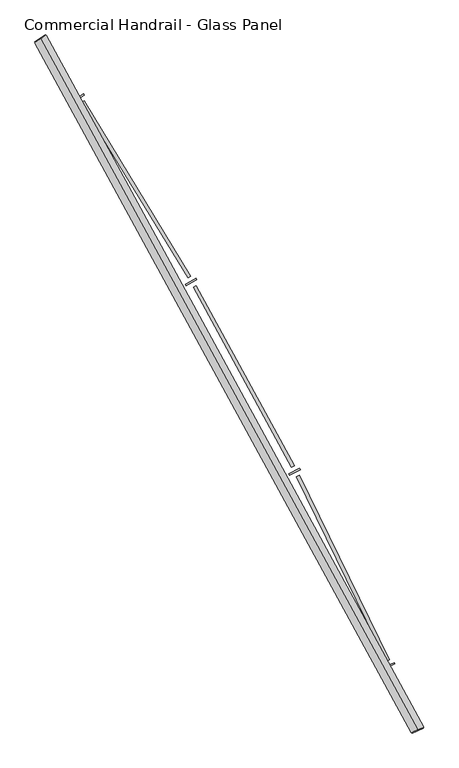
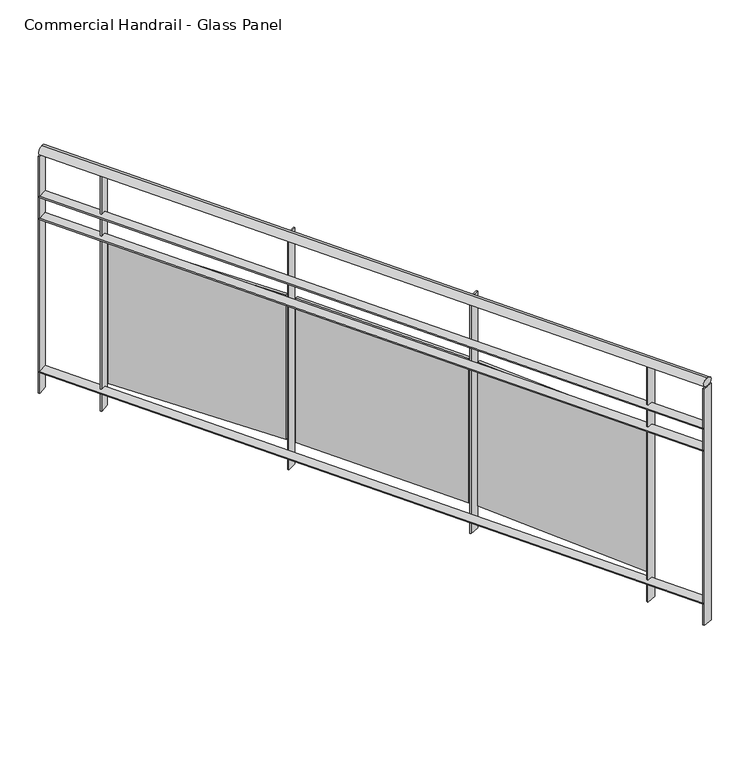
"""IFC4 building model written with IfcOpenShell, lengths in millimetres: railing geometry, Commercial Handrail - Glass Panel."""

from ifc_helpers import new_model, si_unit, point, frame, origin, place, context, project, spatial, polyline, circle_curve, ellipse_curve, trimmed, outline, extrude, source, transform, mapped, element, save
from ifc_brep_helpers import plane_surface, cylinder_surface, revolved_surface, advanced_brep


def commercial_handrail_glass_panel_46bebd31(model_context):
    return source(origin(), model_context, "Body", "SolidModel", [
        advanced_brep(
        [(152681.2087099, -42805.7971709, 12882.5), (154079.9485011, -45365.2391742, 12882.5), (154079.9485011, -45365.2391742, 12917.5), (152681.2087099, -42805.7971709, 12917.5)],
        [
            (0, 1, circle_curve(frame((138512.5563245, -52210.9198633, 12882.5), z_axis=(0.0, 0.0, -1.0), x_axis=(0.9154011077709024, 0.40254293173747885, 0.0)), 17006.0884179)),
            (1, 2, ellipse_curve(frame((154079.9485011, -45365.2391742, 12900.0), z_axis=(-0.4025429317374835, 0.9154011077709004, 0.0), x_axis=(0.9154011077709004, 0.4025429317374835, 0.0)), 25.0, 17.5)),
            (2, 3, circle_curve(frame((138512.5563245, -52210.9198633, 12917.5), z_axis=(0.0, 0.0, 1.0), x_axis=(0.9154011077709024, 0.40254293173747885, 0.0)), 17006.0884179)),
            (3, 0, ellipse_curve(frame((152681.2087099, -42805.7971709, 12900.0), z_axis=(0.5530444427532936, -0.8331517534877418, 0.0), x_axis=(0.8331517534877418, 0.5530444427532936, 0.0)), 25.0, 17.5)),
            (2, 1, ellipse_curve(frame((154079.9485011, -45365.2391742, 12900.0), z_axis=(-0.4025429317374835, 0.9154011077709004, 0.0), x_axis=(0.9154011077709004, 0.4025429317374835, 0.0)), 25.0, 17.5)),
            (0, 3, ellipse_curve(frame((152681.2087099, -42805.7971709, 12900.0), z_axis=(0.5530444427532936, -0.8331517534877418, 0.0), x_axis=(0.8331517534877418, 0.5530444427532936, 0.0)), 25.0, 17.5)),
        ],
        [
            revolved_surface(trimmed(ellipse_curve(frame((154079.9485011, -45365.2391742, 12900.0), z_axis=(0.40254293173747885, -0.9154011077709024, 0.0), x_axis=(0.0, 0.0, -1.0)), 17.5, 25.0), [point((154079.9485011, -45365.2391742, 12917.5))], [point((154079.9485011, -45365.2391742, 12882.5))], True, "CARTESIAN"), (138512.5563245, -52210.9198633, 12900.0), (0.0, 0.0, 1.0)),
            revolved_surface(trimmed(ellipse_curve(frame((154079.9485011, -45365.2391742, 12900.0), z_axis=(0.40254293173747885, -0.9154011077709024, 0.0), x_axis=(0.0, 0.0, -1.0)), 17.5, 25.0), [point((154079.9485011, -45365.2391742, 12882.5))], [point((154079.9485011, -45365.2391742, 12917.5))], True, "CARTESIAN"), (138512.5563245, -52210.9198633, 12900.0), (0.0, 0.0, 1.0)),
            plane_surface(frame((154079.9485011, -45365.2391742, 12900.0), z_axis=(0.4025429317374789, -0.9154011077709026, 0.0), x_axis=(0.9154011077709026, 0.4025429317374789, 0.0))),
            plane_surface(frame((152681.2087099, -42805.7971709, 12900.0), z_axis=(-0.5530444427532946, 0.8331517534877412, 0.0), x_axis=(0.8331517534877412, 0.5530444427532946, 0.0))),
        ],
        [
            (0, [[1, 2, 3, 4]]),
            (1, [[-3, 5, -1, 6]]),
            (2, [[-2, -5]]),
            (3, [[-6, -4]]),
        ],
    ),
        advanced_brep(
        [(152662.4627954, -42818.2406708, 12700.0), (154059.3519762, -45374.2963902, 12700.0), (154100.545026, -45356.1819583, 12700.0), (152699.9546243, -42793.3536709, 12700.0), (152662.4627954, -42818.2406708, 12694.0), (154059.3519762, -45374.2963902, 12694.0), (152699.9546243, -42793.3536709, 12694.0), (154100.545026, -45356.1819583, 12694.0)],
        [
            (0, 1, circle_curve(frame((138512.5563245, -52210.9198633, 12700.0), z_axis=(0.0, 0.0, -1.0), x_axis=(0.9154011077709024, 0.40254293173747885, 0.0)), 16983.5884179)),
            (1, 2),
            (2, 3, circle_curve(frame((138512.5563245, -52210.9198633, 12700.0), z_axis=(0.0, 0.0, 1.0), x_axis=(0.9154011077709024, 0.40254293173747885, 0.0)), 17028.5884179)),
            (3, 0),
            (4, 5, circle_curve(frame((138512.5563245, -52210.9198633, 12694.0), z_axis=(0.0, 0.0, -1.0), x_axis=(0.9154011077709024, 0.40254293173747885, 0.0)), 16983.5884179)),
            (5, 1),
            (0, 4),
            (6, 7, circle_curve(frame((138512.5563245, -52210.9198633, 12694.0), z_axis=(0.0, 0.0, -1.0), x_axis=(0.9154011077709024, 0.40254293173747885, 0.0)), 17028.5884179)),
            (7, 5),
            (4, 6),
            (2, 7),
            (6, 3),
        ],
        [
            plane_surface(frame((138512.5563245, -52210.9198633, 12700.0), z_axis=(0.0, 0.0, 1.0000000000000002), x_axis=(0.9154011077709026, 0.4025429317374789, 0.0))),
            revolved_surface(polyline([(154059.35197617073, -45374.296390135845, 12700.0), (154059.35197617073, -45374.296390135845, 12694.0)]), (138512.5563245, -52210.9198633, 12700.0), (0.0, 0.0, 1.0)),
            plane_surface(frame((138512.5563245, -52210.9198633, 12694.0), z_axis=(0.0, 0.0, -1.0000000000000002), x_axis=(0.9154011077709026, 0.4025429317374789, 0.0))),
            cylinder_surface(frame((138512.5563245, -52210.9198633, 12700.0), z_axis=(0.0, 0.0, 1.0), x_axis=(0.9154011077709024, 0.40254293173747885, 0.0)), 17028.5884179),
            plane_surface(frame((154079.9485011, -45365.2391742, 12700.0), z_axis=(0.4025429317374789, -0.9154011077709026, 0.0), x_axis=(0.9154011077709026, 0.4025429317374789, 0.0))),
            plane_surface(frame((152681.2087099, -42805.7971709, 12700.0), z_axis=(-0.5530444427532946, 0.8331517534877412, 0.0), x_axis=(0.8331517534877412, 0.5530444427532946, 0.0))),
        ],
        [
            (0, [[1, 2, 3, 4]]),
            (1, [[5, 6, -1, 7]]),
            (2, [[8, 9, -5, 10]]),
            (3, [[-3, 11, -8, 12]]),
            (4, [[-2, -6, -9, -11]]),
            (5, [[-12, -10, -7, -4]]),
        ],
    ),
        advanced_brep(
        [(152662.4627954, -42818.2406708, 12600.0), (154059.3519762, -45374.2963902, 12600.0), (154100.545026, -45356.1819583, 12600.0), (152699.9546243, -42793.3536709, 12600.0), (152662.4627954, -42818.2406708, 12594.0), (154059.3519762, -45374.2963902, 12594.0), (152699.9546243, -42793.3536709, 12594.0), (154100.545026, -45356.1819583, 12594.0)],
        [
            (0, 1, circle_curve(frame((138512.5563245, -52210.9198633, 12600.0), z_axis=(0.0, 0.0, -1.0), x_axis=(0.9154011077709024, 0.40254293173747885, 0.0)), 16983.5884179)),
            (1, 2),
            (2, 3, circle_curve(frame((138512.5563245, -52210.9198633, 12600.0), z_axis=(0.0, 0.0, 1.0), x_axis=(0.9154011077709024, 0.40254293173747885, 0.0)), 17028.5884179)),
            (3, 0),
            (4, 5, circle_curve(frame((138512.5563245, -52210.9198633, 12594.0), z_axis=(0.0, 0.0, -1.0), x_axis=(0.9154011077709024, 0.40254293173747885, 0.0)), 16983.5884179)),
            (5, 1),
            (0, 4),
            (6, 7, circle_curve(frame((138512.5563245, -52210.9198633, 12594.0), z_axis=(0.0, 0.0, -1.0), x_axis=(0.9154011077709024, 0.40254293173747885, 0.0)), 17028.5884179)),
            (7, 5),
            (4, 6),
            (2, 7),
            (6, 3),
        ],
        [
            plane_surface(frame((138512.5563245, -52210.9198633, 12600.0), z_axis=(0.0, 0.0, 1.0000000000000002), x_axis=(0.9154011077709026, 0.4025429317374789, 0.0))),
            revolved_surface(polyline([(154059.35197617073, -45374.296390135845, 12600.0), (154059.35197617073, -45374.296390135845, 12594.0)]), (138512.5563245, -52210.9198633, 12600.0), (0.0, 0.0, 1.0)),
            plane_surface(frame((138512.5563245, -52210.9198633, 12594.0), z_axis=(0.0, 0.0, -1.0000000000000002), x_axis=(0.9154011077709026, 0.4025429317374789, 0.0))),
            cylinder_surface(frame((138512.5563245, -52210.9198633, 12600.0), z_axis=(0.0, 0.0, 1.0), x_axis=(0.9154011077709024, 0.40254293173747885, 0.0)), 17028.5884179),
            plane_surface(frame((154079.9485011, -45365.2391742, 12600.0), z_axis=(0.4025429317374789, -0.9154011077709026, 0.0), x_axis=(0.9154011077709026, 0.4025429317374789, 0.0))),
            plane_surface(frame((152681.2087099, -42805.7971709, 12600.0), z_axis=(-0.5530444427532946, 0.8331517534877412, 0.0), x_axis=(0.8331517534877412, 0.5530444427532946, 0.0))),
        ],
        [
            (0, [[1, 2, 3, 4]]),
            (1, [[5, 6, -1, 7]]),
            (2, [[8, 9, -5, 10]]),
            (3, [[-3, 11, -8, 12]]),
            (4, [[-2, -6, -9, -11]]),
            (5, [[-12, -10, -7, -4]]),
        ],
    ),
        advanced_brep(
        [(152662.4627954, -42818.2406708, 11900.0), (154059.3519762, -45374.2963902, 11900.0), (154100.545026, -45356.1819583, 11900.0), (152699.9546243, -42793.3536709, 11900.0), (152662.4627954, -42818.2406708, 11894.0), (154059.3519762, -45374.2963902, 11894.0), (152699.9546243, -42793.3536709, 11894.0), (154100.545026, -45356.1819583, 11894.0)],
        [
            (0, 1, circle_curve(frame((138512.5563245, -52210.9198633, 11900.0), z_axis=(0.0, 0.0, -1.0), x_axis=(0.9154011077709024, 0.40254293173747885, 0.0)), 16983.5884179)),
            (1, 2),
            (2, 3, circle_curve(frame((138512.5563245, -52210.9198633, 11900.0), z_axis=(0.0, 0.0, 1.0), x_axis=(0.9154011077709024, 0.40254293173747885, 0.0)), 17028.5884179)),
            (3, 0),
            (4, 5, circle_curve(frame((138512.5563245, -52210.9198633, 11894.0), z_axis=(0.0, 0.0, -1.0), x_axis=(0.9154011077709024, 0.40254293173747885, 0.0)), 16983.5884179)),
            (5, 1),
            (0, 4),
            (6, 7, circle_curve(frame((138512.5563245, -52210.9198633, 11894.0), z_axis=(0.0, 0.0, -1.0), x_axis=(0.9154011077709024, 0.40254293173747885, 0.0)), 17028.5884179)),
            (7, 5),
            (4, 6),
            (2, 7),
            (6, 3),
        ],
        [
            plane_surface(frame((138512.5563245, -52210.9198633, 11900.0), z_axis=(0.0, 0.0, 1.0000000000000002), x_axis=(0.9154011077709026, 0.4025429317374789, 0.0))),
            revolved_surface(polyline([(154059.35197617073, -45374.296390135845, 11900.0), (154059.35197617073, -45374.296390135845, 11894.0)]), (138512.5563245, -52210.9198633, 11900.0), (0.0, 0.0, 1.0)),
            plane_surface(frame((138512.5563245, -52210.9198633, 11894.0), z_axis=(0.0, 0.0, -1.0000000000000002), x_axis=(0.9154011077709026, 0.4025429317374789, 0.0))),
            cylinder_surface(frame((138512.5563245, -52210.9198633, 11900.0), z_axis=(0.0, 0.0, 1.0), x_axis=(0.9154011077709024, 0.40254293173747885, 0.0)), 17028.5884179),
            plane_surface(frame((154079.9485011, -45365.2391742, 11900.0), z_axis=(0.4025429317374789, -0.9154011077709026, 0.0), x_axis=(0.9154011077709026, 0.4025429317374789, 0.0))),
            plane_surface(frame((152681.2087099, -42805.7971709, 11900.0), z_axis=(-0.5530444427532946, 0.8331517534877412, 0.0), x_axis=(0.8331517534877412, 0.5530444427532946, 0.0))),
        ],
        [
            (0, [[1, 2, 3, 4]]),
            (1, [[5, 6, -1, 7]]),
            (2, [[8, 9, -5, 10]]),
            (3, [[-3, 11, -8, 12]]),
            (4, [[-2, -6, -9, -11]]),
            (5, [[-12, -10, -7, -4]]),
        ],
    ),
        extrude(outline(polyline([(152843.9746071, -43014.0028518), (152806.1064717, -43038.3134324), (152802.865061, -43033.2643477), (152840.7331963, -43008.9537671), (152843.9746071, -43014.0028518)])), frame((0.0, 0.0, 11800.0), z_axis=(0.0, 0.0, 1.0), x_axis=(1.0, 0.0, 0.0)), (0.0, 0.0, 1.0), 1082.1192282),
        extrude(outline(polyline([(153228.1233935, -43690.3863087), (152832.6997466, -43041.3561558), (152842.9475911, -43035.1126245), (153238.371238, -43684.1427775), (153228.1233935, -43690.3863087)])), frame((0.0, 0.0, 11920.0), z_axis=(0.0, 0.0, 1.0), x_axis=(1.0, 0.0, 0.0)), (0.0, 0.0, 1.0), 660.0),
        extrude(outline(polyline([(153260.6017897, -43698.1067288), (153221.6323507, -43720.6096803), (153218.6319572, -43715.4137551), (153257.6013961, -43692.9108036), (153260.6017897, -43698.1067288)])), frame((0.0, 0.0, 11800.0), z_axis=(0.0, 0.0, 1.0), x_axis=(1.0, 0.0, 0.0)), (0.0, 0.0, 1.0), 1082.1192282),
        extrude(outline(polyline([(153612.5189238, -44391.8063767), (153248.0531233, -43724.8995764), (153258.5832307, -43719.1448533), (153623.0490312, -44386.0516536), (153612.5189238, -44391.8063767)])), frame((0.0, 0.0, 11920.0), z_axis=(0.0, 0.0, 1.0), x_axis=(1.0, 0.0, 0.0)), (0.0, 0.0, 1.0), 660.0),
        extrude(outline(polyline([(153644.5983402, -44401.0455404), (153604.6138191, -44421.6910742), (153601.8610812, -44416.3598047), (153641.8456024, -44395.7142709), (153644.5983402, -44401.0455404)])), frame((0.0, 0.0, 11800.0), z_axis=(0.0, 0.0, 1.0), x_axis=(1.0, 0.0, 0.0)), (0.0, 0.0, 1.0), 1082.1192282),
        extrude(outline(polyline([(153963.5051916, -45110.5265416), (153630.8036324, -44427.2186516), (153641.5927043, -44421.965469), (153974.2942635, -45105.273359), (153963.5051916, -45110.5265416)])), frame((0.0, 0.0, 11920.0), z_axis=(0.0, 0.0, 1.0), x_axis=(1.0, 0.0, 0.0)), (0.0, 0.0, 1.0), 660.0),
        extrude(outline(polyline([(153995.1146513, -45121.2640068), (153954.2035152, -45140.0064439), (153951.7045236, -45134.5516257), (153992.6156597, -45115.8091887), (153995.1146513, -45121.2640068)])), frame((0.0, 0.0, 11800.0), z_axis=(0.0, 0.0, 1.0), x_axis=(1.0, 0.0, 0.0)), (0.0, 0.0, 1.0), 1082.1192282),
        extrude(outline(polyline([(152701.6137576, -42795.8531262), (152664.1219287, -42820.7401261), (152660.8036621, -42815.7412156), (152698.295491, -42790.8542156), (152701.6137576, -42795.8531262)])), frame((0.0, 0.0, 11800.0), z_axis=(0.0, 0.0, 1.0), x_axis=(1.0, 0.0, 0.0)), (0.0, 0.0, 1.0), 1082.1192282),
        extrude(outline(polyline([(154101.7526548, -45358.9281616), (154060.559605, -45377.0425935), (154058.1443474, -45371.5501869), (154099.3373972, -45353.4357549), (154101.7526548, -45358.9281616)])), frame((0.0, 0.0, 11800.0), z_axis=(0.0, 0.0, 1.0), x_axis=(1.0, 0.0, 0.0)), (0.0, 0.0, 1.0), 1082.1192282),
    ])


if __name__ == "__main__":
    model = new_model("IFC4")
    model_context = context("Model", 3, world=origin())
    ifc_project = project(units=[si_unit("LENGTHUNIT", "METRE", prefix="MILLI")], contexts=[model_context])
    site = spatial("IfcSite", under=ifc_project)
    building = spatial("IfcBuilding", under=site)
    placement = place(None, origin())
    commercial_handrail_glass_panel_shape = commercial_handrail_glass_panel_46bebd31(model_context)
    element("IfcRailing", 1, ObjectType="Commercial Handrail - Glass Panel", at=placement, inside=building, context=model_context, shape_type="MappedRepresentation", body=[
        mapped(commercial_handrail_glass_panel_shape, transform((0.0, 0.0, 0.0), x_axis=(1.0, 0.0, 0.0), y_axis=(0.0, 1.0, 0.0), z_axis=(0.0, 0.0, 1.0))),
    ])
    save(model, "model.ifc")
